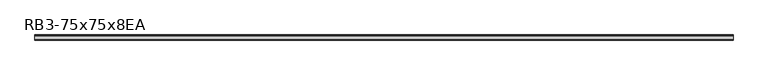
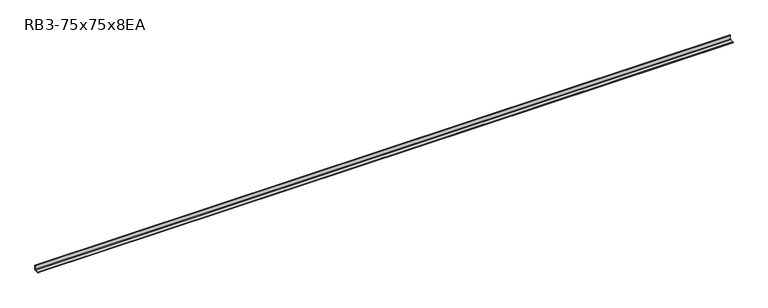
"""IFC4 building model written with IfcOpenShell, lengths in millimetres: member geometry, RB3-75x75x8EA."""

from ifc_helpers import new_model, si_unit, point, frame, frame_2d, origin, place, context, project, spatial, polyline, circle_curve, trimmed, segment, composite_curve, outline, extrude, source, transform, mapped, element, save


def rb3_75x75x8ea_66cfebca(model_context):
    return source(origin(), model_context, "Body", "SweptSolid", [
        extrude(outline(composite_curve([segment(polyline([(21.3, -21.3), (-53.7, -21.3), (-53.7, -18.3)]), True, "CONTINUOUS"), segment(trimmed(circle_curve(frame_2d((-48.7, -18.3)), 5.0), [point((-53.7, -18.3))], [point((-48.7, -13.3))], False, "CARTESIAN"), True, "CONTINUOUS"), segment(polyline([(-48.7, -13.3), (5.3, -13.3)]), True, "CONTINUOUS"), segment(trimmed(circle_curve(frame_2d((5.3, -5.3)), 8.0), [point((5.3, -13.3))], [point((13.3, -5.3))], True, "CARTESIAN"), True, "CONTINUOUS"), segment(polyline([(13.3, -5.3), (13.3, 48.7)]), True, "CONTINUOUS"), segment(trimmed(circle_curve(frame_2d((18.3, 48.7)), 5.0), [point((13.3, 48.7))], [point((18.3, 53.7))], False, "CARTESIAN"), True, "CONTINUOUS"), segment(polyline([(18.3, 53.7), (21.3, 53.7), (21.3, -21.3)]), True, "CONTINUOUS")], self_intersect=False)), frame((-5088.5, 0.0, 0.0), z_axis=(1.0, 0.0, 0.0), x_axis=(0.0, 1.0, 0.0)), (0.0, 0.0, 1.0), 10186.0),
    ])


if __name__ == "__main__":
    model = new_model("IFC4")
    model_context = context("Model", 3, world=origin())
    ifc_project = project(units=[si_unit("LENGTHUNIT", "METRE", prefix="MILLI")], contexts=[model_context])
    site = spatial("IfcSite", under=ifc_project)
    building = spatial("IfcBuilding", under=site)
    placement = place(None, origin())
    rb3_75x75x8ea_shape = rb3_75x75x8ea_66cfebca(model_context)
    element("IfcMember", 1, ObjectType="RB3-75x75x8EA", at=placement, inside=building, context=model_context, shape_type="MappedRepresentation", body=[
        mapped(rb3_75x75x8ea_shape, transform((0.0, 0.0, 0.0), x_axis=(1.0, 0.0, 0.0), y_axis=(0.0, 1.0, 0.0), z_axis=(0.0, 0.0, 1.0))),
    ])
    save(model, "model.ifc")
